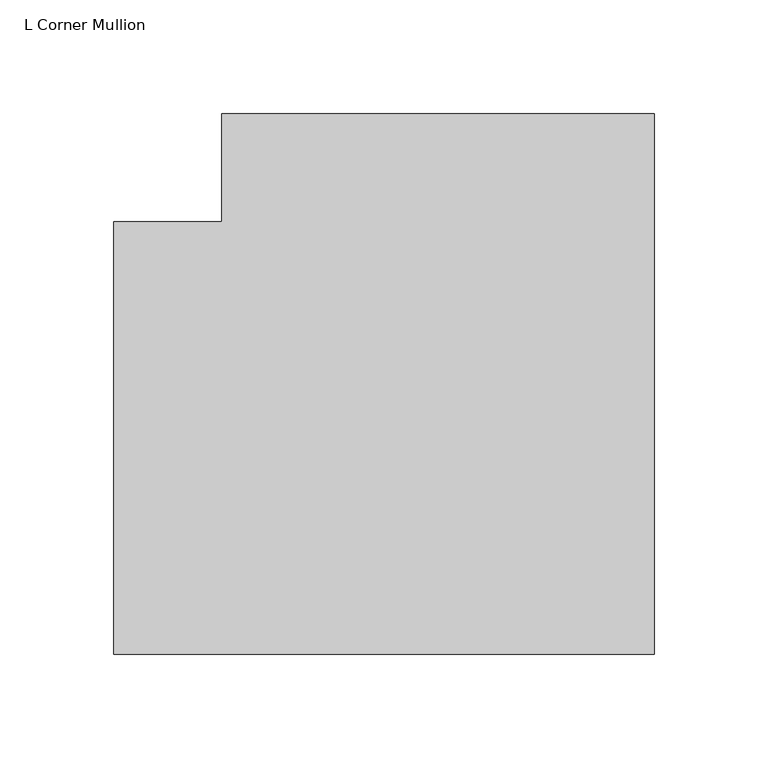
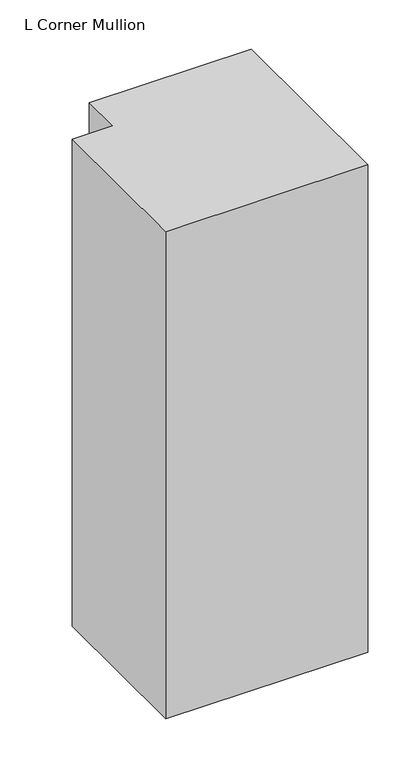
"""IFC4 building model written with IfcOpenShell, lengths in millimetres: member geometry, L Corner Mullion."""

from ifc_helpers import new_model, si_unit, frame, origin, place, context, project, spatial, polyline, outline, extrude, source, transform, mapped, element, save


def l_corner_mullion_93edf87e(model_context):
    return source(origin(), model_context, "Body", "SweptSolid", [
        extrude(outline(polyline([(152.4, 85.725), (152.4, -152.4), (-85.725, -152.4), (-85.725, 38.1), (-38.1, 38.1), (-38.1, 85.725), (152.4, 85.725)])), frame((0.0, 0.0, -606.4249623), z_axis=(0.0, 0.0, 1.0), x_axis=(1.0, 0.0, 0.0)), (0.0, 0.0, 1.0), 606.4249623),
    ])


if __name__ == "__main__":
    model = new_model("IFC4")
    model_context = context("Model", 3, world=origin())
    ifc_project = project(units=[si_unit("LENGTHUNIT", "METRE", prefix="MILLI")], contexts=[model_context])
    site = spatial("IfcSite", under=ifc_project)
    building = spatial("IfcBuilding", under=site)
    placement = place(None, origin())
    l_corner_mullion_shape = l_corner_mullion_93edf87e(model_context)
    element("IfcMember", 1, ObjectType="L Corner Mullion", at=placement, inside=building, context=model_context, shape_type="MappedRepresentation", body=[
        mapped(l_corner_mullion_shape, transform((0.0, 0.0, 0.0), x_axis=(1.0, 0.0, 0.0), y_axis=(0.0, 1.0, 0.0), z_axis=(0.0, 0.0, 1.0))),
    ])
    save(model, "model.ifc")
